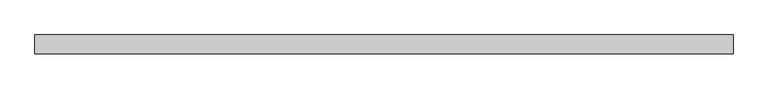
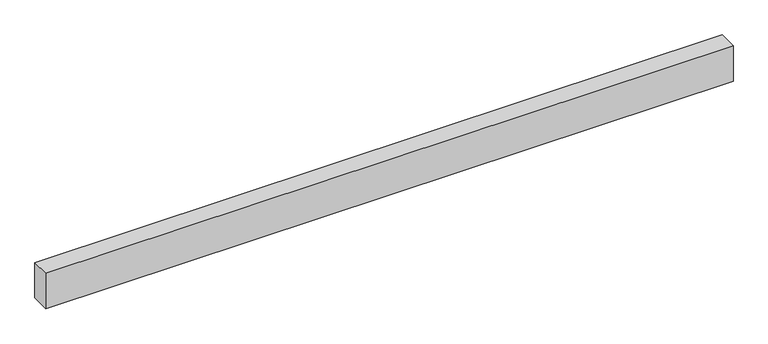
"""IFC4 building model written with IfcOpenShell, lengths in millimetres: plate geometry."""

import ifcopenshell
import ifcopenshell.guid

model = None  # the IFC model being written
_history = None  # IfcOwnerHistory: only IFC2X3 demands one
_inside = {}  # id of a spatial element -> (the spatial element, [elements in it])
_under = {}  # id of a project, library or spatial element -> (it, [spatial elements below it])
_declared = {}  # id of a project -> (the project, [libraries it declares])
_typed = {}  # id of a type object -> (the type object, [elements of that type])
_made_of = {}  # id of a material, layer set ... -> (it, [elements and type objects made of it])


def new_model(schema):
    """Start an empty IFC model of exactly this schema.

    Asked for "IFC4X3", IfcOpenShell would pick the latest addendum, in which some entities
    have other attributes; the version numbers below select the first issue.
    IFC2X3 requires an IfcOwnerHistory on every rooted entity: one is made here for all.
    """
    global model, _history
    if schema == "IFC4X3":
        model = ifcopenshell.file(schema_version=(4, 3, 0, 0))
    else:
        model = ifcopenshell.file(schema=schema)
    _inside.clear()
    _under.clear()
    _declared.clear()
    _typed.clear()
    _made_of.clear()
    _history = None
    if model.schema == "IFC2X3":
        org = make("IfcOrganization", Name="unknown")
        user = make(
            "IfcPersonAndOrganization",
            ThePerson=make("IfcPerson", FamilyName="unknown"),
            TheOrganization=org,
        )
        app = make(
            "IfcApplication",
            ApplicationDeveloper=org,
            Version="unknown",
            ApplicationFullName="unknown",
            ApplicationIdentifier="unknown",
        )
        _history = make(
            "IfcOwnerHistory",
            OwningUser=user,
            OwningApplication=app,
            ChangeAction="ADDED",
            CreationDate=0,
        )
    return model


def make(cls, **values):
    """One entity of the class cls with the attributes given. An attribute that is None is left unset."""
    return model.create_entity(
        cls, **{name: value for name, value in values.items() if value is not None}
    )


def rooted(cls, **values):
    """An entity with a GlobalId (a new one), such as an element, a storey or a relation."""
    return make(cls, GlobalId=ifcopenshell.guid.new(), OwnerHistory=_history, **values)


def si_unit(unit_type, name, prefix=None):
    """IfcSIUnit, for example si_unit("LENGTHUNIT", "METRE", prefix="MILLI")."""
    return make("IfcSIUnit", UnitType=unit_type, Prefix=prefix, Name=name)


def assignment(units):
    """IfcUnitAssignment: the units of a project."""
    return None if units is None else make("IfcUnitAssignment", Units=units)


def point(xyz):
    """IfcCartesianPoint."""
    return None if xyz is None else make("IfcCartesianPoint", Coordinates=xyz)


def direction(xyz):
    """IfcDirection."""
    return None if xyz is None else make("IfcDirection", DirectionRatios=xyz)


def frame(location, z_axis=None, x_axis=None):
    """IfcAxis2Placement3D, a coordinate frame: its origin and axes. An axis left out is left unset."""
    return make(
        "IfcAxis2Placement3D",
        Location=point(location),
        Axis=direction(z_axis),
        RefDirection=direction(x_axis),
    )


def origin():
    """The frame at (0, 0, 0) with its axes left unset."""
    return frame((0.0, 0.0, 0.0))


def origin_with_axes():
    """The frame at (0, 0, 0) with the z axis (0, 0, 1) and the x axis (1, 0, 0) written out."""
    return frame((0.0, 0.0, 0.0), z_axis=(0.0, 0.0, 1.0), x_axis=(1.0, 0.0, 0.0))


def place(relative_to, where):
    """IfcLocalPlacement: puts the frame where relative to a parent placement (None: the world)."""
    return make(
        "IfcLocalPlacement", PlacementRelTo=relative_to, RelativePlacement=where
    )


def context(
    kind, dimensions, precision=None, world=None, true_north=None, identifier=None
):
    """IfcGeometricRepresentationContext, for example the 3D "Model" context."""
    return make(
        "IfcGeometricRepresentationContext",
        ContextIdentifier=identifier,
        ContextType=kind,
        CoordinateSpaceDimension=dimensions,
        Precision=precision,
        WorldCoordinateSystem=world,
        TrueNorth=true_north,
    )


def project(units=None, contexts=None):
    """IfcProject with its units and contexts."""
    return rooted(
        "IfcProject",
        Name="project",
        RepresentationContexts=contexts,
        UnitsInContext=assignment(units),
    )


def spatial(cls, under=None, at=None, **own):
    """A site, building, storey or space (cls), placed at a placement, below another one or the project."""
    s = rooted(cls, ObjectPlacement=at, **own)
    if under is not None:
        _under.setdefault(under.id(), (under, []))[1].append(s)
    return s


def polyline(points):
    """IfcPolyline through the points."""
    return make("IfcPolyline", Points=[point(p) for p in points])


def outline(outer, holes=None, kind="AREA"):
    """IfcArbitraryClosedProfileDef: a profile drawn as a closed curve; with holes, ...WithVoids."""
    if holes is None:
        return make("IfcArbitraryClosedProfileDef", ProfileType=kind, OuterCurve=outer)
    return make(
        "IfcArbitraryProfileDefWithVoids",
        ProfileType=kind,
        OuterCurve=outer,
        InnerCurves=holes,
    )


def extrude(swept, where, along, depth):
    """IfcExtrudedAreaSolid: the profile swept, set in the frame where, extruded along a direction by depth."""
    return make(
        "IfcExtrudedAreaSolid",
        SweptArea=swept,
        Position=where,
        ExtrudedDirection=direction(along),
        Depth=depth,
    )


def shape(context_of_items, identifier, shape_type, items):
    """IfcShapeRepresentation: the items that make up one representation, for example the "Body"."""
    return make(
        "IfcShapeRepresentation",
        ContextOfItems=context_of_items,
        RepresentationIdentifier=identifier,
        RepresentationType=shape_type,
        Items=items,
    )


def source(mapping_origin, context_of_items, identifier, shape_type, items):
    """IfcRepresentationMap: a shape defined once, which mapped items show again and again."""
    return make(
        "IfcRepresentationMap",
        MappingOrigin=mapping_origin,
        MappedRepresentation=shape(context_of_items, identifier, shape_type, items),
    )


def transform(
    local_origin,
    x_axis=None,
    y_axis=None,
    z_axis=None,
    scale=None,
    scale2=None,
    scale3=None,
    uniform=True,
):
    """IfcCartesianTransformationOperator3D, or its non-uniform kind. x_axis, y_axis, z_axis: its Axis1, 2, 3."""
    if uniform:
        return make(
            "IfcCartesianTransformationOperator3D",
            Axis1=direction(x_axis),
            Axis2=direction(y_axis),
            LocalOrigin=point(local_origin),
            Scale=scale,
            Axis3=direction(z_axis),
        )
    return make(
        "IfcCartesianTransformationOperator3DnonUniform",
        Axis1=direction(x_axis),
        Axis2=direction(y_axis),
        LocalOrigin=point(local_origin),
        Scale=scale,
        Axis3=direction(z_axis),
        Scale2=scale2,
        Scale3=scale3,
    )


def mapped(mapping_source, mapping_target):
    """IfcMappedItem: shows the shape of a source again, moved by a transform."""
    return make(
        "IfcMappedItem", MappingSource=mapping_source, MappingTarget=mapping_target
    )


def made_of(thing, what):
    """Note that an element or type object is made of a material, layer set ...; save() writes the relation."""
    if what is not None:
        _made_of.setdefault(what.id(), (what, []))[1].append(thing)
    return thing


def element(
    cls,
    number,
    at=None,
    inside=None,
    cuts=None,
    type_object=None,
    material=None,
    context=None,
    identifier="Body",
    shape_type=None,
    held_by="IfcProductDefinitionShape",
    body=None,
    shapes=None,
    **own,
):
    """One element of the class cls, such as IfcWall. Its Tag is "e" and its number.

    at: its placement. inside: the storey or other place that contains it. cuts: it is an
    opening in that element (IfcRelVoidsElement). A single representation is given by context,
    identifier, shape_type and body (its items); several are given by shapes. held_by: the class
    of the entity that holds the representations. save() writes the other relations.
    """
    e = rooted(cls, Tag="e%d" % number, ObjectPlacement=at, **own)
    if body is not None:
        shapes = [shape(context, identifier, shape_type, body)]
    if shapes is not None:
        e.Representation = make(held_by, Representations=shapes)
    if inside is not None:
        _inside.setdefault(inside.id(), (inside, []))[1].append(e)
    if cuts is not None:
        rooted(
            "IfcRelVoidsElement", RelatingBuildingElement=cuts, RelatedOpeningElement=e
        )
    if type_object is not None:
        _typed.setdefault(type_object.id(), (type_object, []))[1].append(e)
    return made_of(e, material)


def aggregate(whole, parts):
    """IfcRelAggregates: a whole, such as a stair, and the parts it consists of."""
    return rooted("IfcRelAggregates", RelatingObject=whole, RelatedObjects=parts)


def save(model, path):
    """Write the relations noted so far, then the file.

    IfcRelAggregates (storeys below a building ...), IfcRelContainedInSpatialStructure (elements
    in a storey), IfcRelDefinesByType, IfcRelAssociatesMaterial and IfcRelDeclares: one each for
    every whole, place, type object, material and project.
    """
    for whole, parts in _under.values():
        aggregate(whole, parts)
    for where, things in _inside.values():
        rooted(
            "IfcRelContainedInSpatialStructure",
            RelatedElements=things,
            RelatingStructure=where,
        )
    for kind, things in _typed.values():
        rooted("IfcRelDefinesByType", RelatedObjects=things, RelatingType=kind)
    for what, things in _made_of.values():
        rooted("IfcRelAssociatesMaterial", RelatedObjects=things, RelatingMaterial=what)
    for by, libraries in _declared.values():
        rooted("IfcRelDeclares", RelatingContext=by, RelatedDefinitions=libraries)
    model.write(path)


def plate_2c66c414(model_context):
    return source(origin(), model_context, "Body", "SweptSolid", [
        extrude(outline(polyline([(1837.5, -50.0), (-1837.5, -50.0), (-1837.5, 50.0), (1837.5, 50.0), (1837.5, -50.0)])), origin_with_axes(), (0.0, 0.0, 1.0), 200.0),
    ])


if __name__ == "__main__":
    model = new_model("IFC4")
    model_context = context("Model", 3, world=origin())
    ifc_project = project(units=[si_unit("LENGTHUNIT", "METRE", prefix="MILLI")], contexts=[model_context])
    site = spatial("IfcSite", under=ifc_project)
    building = spatial("IfcBuilding", under=site)
    placement = place(None, origin())
    plate_shape = plate_2c66c414(model_context)
    element("IfcPlate", 1, at=placement, inside=building, context=model_context, shape_type="MappedRepresentation", body=[
        mapped(plate_shape, transform((0.0, 0.0, 0.0), x_axis=(1.0, 0.0, 0.0), y_axis=(0.0, 1.0, 0.0), z_axis=(0.0, 0.0, 1.0))),
    ])
    save(model, "model.ifc")
